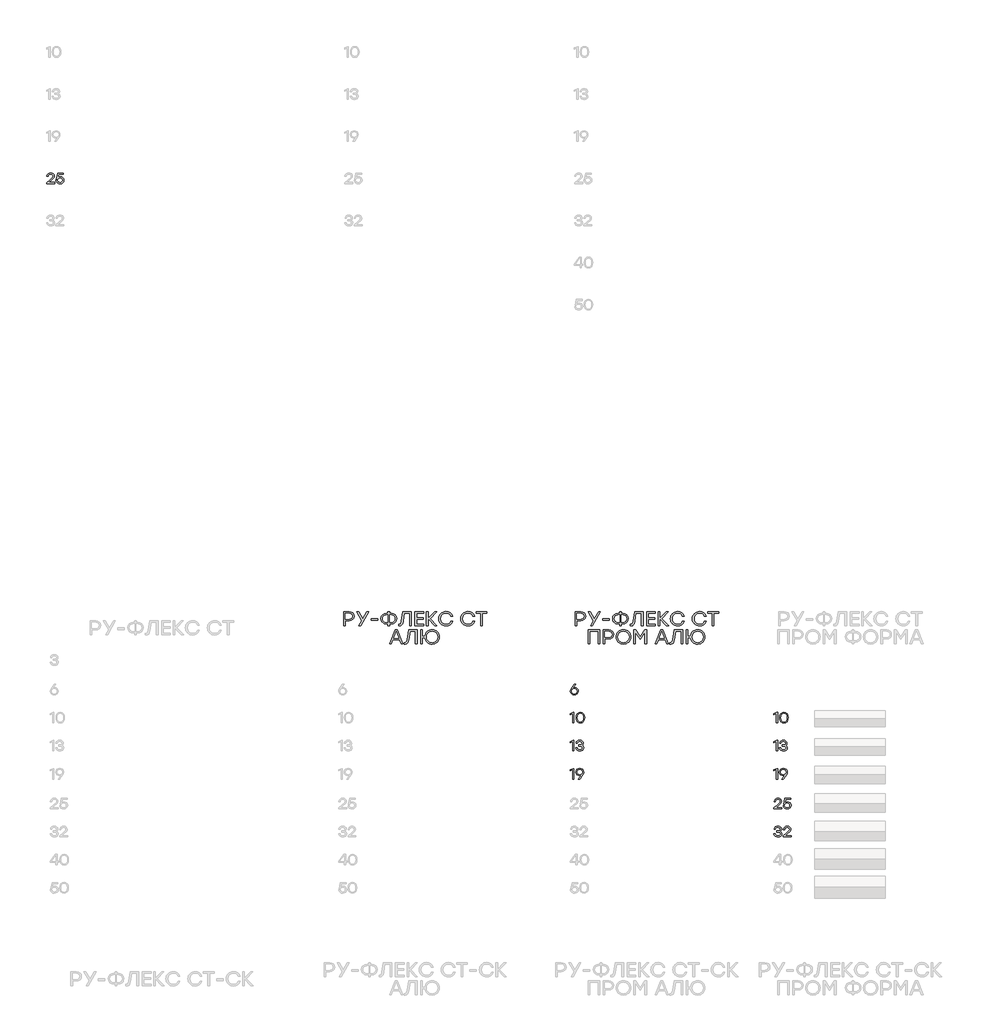
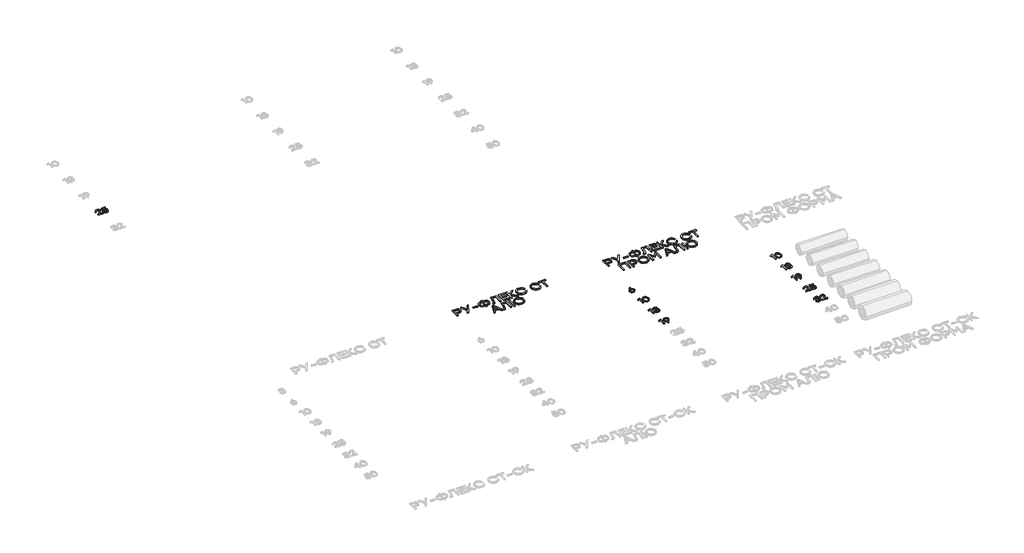
# One storey, part 28 of 41: 12 proxies.
"""IFC4 building model written with IfcOpenShell, lengths in millimetres."""

import ifcopenshell
import ifcopenshell.guid

model = None  # the IFC model being written
_history = None  # IfcOwnerHistory: only IFC2X3 demands one
_inside = {}  # id of a spatial element -> (the spatial element, [elements in it])
_under = {}  # id of a project, library or spatial element -> (it, [spatial elements below it])
_declared = {}  # id of a project -> (the project, [libraries it declares])
_typed = {}  # id of a type object -> (the type object, [elements of that type])
_made_of = {}  # id of a material, layer set ... -> (it, [elements and type objects made of it])


def new_model(schema):
    """Start an empty IFC model of exactly this schema.

    Asked for "IFC4X3", IfcOpenShell would pick the latest addendum, in which some entities
    have other attributes; the version numbers below select the first issue.
    IFC2X3 requires an IfcOwnerHistory on every rooted entity: one is made here for all.
    """
    global model, _history
    if schema == "IFC4X3":
        model = ifcopenshell.file(schema_version=(4, 3, 0, 0))
    else:
        model = ifcopenshell.file(schema=schema)
    _inside.clear()
    _under.clear()
    _declared.clear()
    _typed.clear()
    _made_of.clear()
    _history = None
    if model.schema == "IFC2X3":
        org = make("IfcOrganization", Name="unknown")
        user = make(
            "IfcPersonAndOrganization",
            ThePerson=make("IfcPerson", FamilyName="unknown"),
            TheOrganization=org,
        )
        app = make(
            "IfcApplication",
            ApplicationDeveloper=org,
            Version="unknown",
            ApplicationFullName="unknown",
            ApplicationIdentifier="unknown",
        )
        _history = make(
            "IfcOwnerHistory",
            OwningUser=user,
            OwningApplication=app,
            ChangeAction="ADDED",
            CreationDate=0,
        )
    return model


def make(cls, **values):
    """One entity of the class cls with the attributes given. An attribute that is None is left unset."""
    return model.create_entity(
        cls, **{name: value for name, value in values.items() if value is not None}
    )


def rooted(cls, **values):
    """An entity with a GlobalId (a new one), such as an element, a storey or a relation."""
    return make(cls, GlobalId=ifcopenshell.guid.new(), OwnerHistory=_history, **values)


def si_unit(unit_type, name, prefix=None):
    """IfcSIUnit, for example si_unit("LENGTHUNIT", "METRE", prefix="MILLI")."""
    return make("IfcSIUnit", UnitType=unit_type, Prefix=prefix, Name=name)


def assignment(units):
    """IfcUnitAssignment: the units of a project."""
    return None if units is None else make("IfcUnitAssignment", Units=units)


def point(xyz):
    """IfcCartesianPoint."""
    return None if xyz is None else make("IfcCartesianPoint", Coordinates=xyz)


def direction(xyz):
    """IfcDirection."""
    return None if xyz is None else make("IfcDirection", DirectionRatios=xyz)


def frame(location, z_axis=None, x_axis=None):
    """IfcAxis2Placement3D, a coordinate frame: its origin and axes. An axis left out is left unset."""
    return make(
        "IfcAxis2Placement3D",
        Location=point(location),
        Axis=direction(z_axis),
        RefDirection=direction(x_axis),
    )


def origin():
    """The frame at (0, 0, 0) with its axes left unset."""
    return frame((0.0, 0.0, 0.0))


def origin_with_axes():
    """The frame at (0, 0, 0) with the z axis (0, 0, 1) and the x axis (1, 0, 0) written out."""
    return frame((0.0, 0.0, 0.0), z_axis=(0.0, 0.0, 1.0), x_axis=(1.0, 0.0, 0.0))


def place(relative_to, where):
    """IfcLocalPlacement: puts the frame where relative to a parent placement (None: the world)."""
    return make(
        "IfcLocalPlacement", PlacementRelTo=relative_to, RelativePlacement=where
    )


def context(
    kind, dimensions, precision=None, world=None, true_north=None, identifier=None
):
    """IfcGeometricRepresentationContext, for example the 3D "Model" context."""
    return make(
        "IfcGeometricRepresentationContext",
        ContextIdentifier=identifier,
        ContextType=kind,
        CoordinateSpaceDimension=dimensions,
        Precision=precision,
        WorldCoordinateSystem=world,
        TrueNorth=true_north,
    )


def project(units=None, contexts=None):
    """IfcProject with its units and contexts."""
    return rooted(
        "IfcProject",
        Name="project",
        RepresentationContexts=contexts,
        UnitsInContext=assignment(units),
    )


def spatial(cls, under=None, at=None, **own):
    """A site, building, storey or space (cls), placed at a placement, below another one or the project."""
    s = rooted(cls, ObjectPlacement=at, **own)
    if under is not None:
        _under.setdefault(under.id(), (under, []))[1].append(s)
    return s


def polyline(points):
    """IfcPolyline through the points."""
    return make("IfcPolyline", Points=[point(p) for p in points])


def outline(outer, holes=None, kind="AREA"):
    """IfcArbitraryClosedProfileDef: a profile drawn as a closed curve; with holes, ...WithVoids."""
    if holes is None:
        return make("IfcArbitraryClosedProfileDef", ProfileType=kind, OuterCurve=outer)
    return make(
        "IfcArbitraryProfileDefWithVoids",
        ProfileType=kind,
        OuterCurve=outer,
        InnerCurves=holes,
    )


def extrude(swept, where, along, depth):
    """IfcExtrudedAreaSolid: the profile swept, set in the frame where, extruded along a direction by depth."""
    return make(
        "IfcExtrudedAreaSolid",
        SweptArea=swept,
        Position=where,
        ExtrudedDirection=direction(along),
        Depth=depth,
    )


def shape(context_of_items, identifier, shape_type, items):
    """IfcShapeRepresentation: the items that make up one representation, for example the "Body"."""
    return make(
        "IfcShapeRepresentation",
        ContextOfItems=context_of_items,
        RepresentationIdentifier=identifier,
        RepresentationType=shape_type,
        Items=items,
    )


def made_of(thing, what):
    """Note that an element or type object is made of a material, layer set ...; save() writes the relation."""
    if what is not None:
        _made_of.setdefault(what.id(), (what, []))[1].append(thing)
    return thing


def element(
    cls,
    number,
    at=None,
    inside=None,
    cuts=None,
    type_object=None,
    material=None,
    context=None,
    identifier="Body",
    shape_type=None,
    held_by="IfcProductDefinitionShape",
    body=None,
    shapes=None,
    **own,
):
    """One element of the class cls, such as IfcWall. Its Tag is "e" and its number.

    at: its placement. inside: the storey or other place that contains it. cuts: it is an
    opening in that element (IfcRelVoidsElement). A single representation is given by context,
    identifier, shape_type and body (its items); several are given by shapes. held_by: the class
    of the entity that holds the representations. save() writes the other relations.
    """
    e = rooted(cls, Tag="e%d" % number, ObjectPlacement=at, **own)
    if body is not None:
        shapes = [shape(context, identifier, shape_type, body)]
    if shapes is not None:
        e.Representation = make(held_by, Representations=shapes)
    if inside is not None:
        _inside.setdefault(inside.id(), (inside, []))[1].append(e)
    if cuts is not None:
        rooted(
            "IfcRelVoidsElement", RelatingBuildingElement=cuts, RelatedOpeningElement=e
        )
    if type_object is not None:
        _typed.setdefault(type_object.id(), (type_object, []))[1].append(e)
    return made_of(e, material)


def aggregate(whole, parts):
    """IfcRelAggregates: a whole, such as a stair, and the parts it consists of."""
    return rooted("IfcRelAggregates", RelatingObject=whole, RelatedObjects=parts)


def save(model, path):
    """Write the relations noted so far, then the file.

    IfcRelAggregates (storeys below a building ...), IfcRelContainedInSpatialStructure (elements
    in a storey), IfcRelDefinesByType, IfcRelAssociatesMaterial and IfcRelDeclares: one each for
    every whole, place, type object, material and project.
    """
    for whole, parts in _under.values():
        aggregate(whole, parts)
    for where, things in _inside.values():
        rooted(
            "IfcRelContainedInSpatialStructure",
            RelatedElements=things,
            RelatingStructure=where,
        )
    for kind, things in _typed.values():
        rooted("IfcRelDefinesByType", RelatedObjects=things, RelatingType=kind)
    for what, things in _made_of.values():
        rooted("IfcRelAssociatesMaterial", RelatedObjects=things, RelatingMaterial=what)
    for by, libraries in _declared.values():
        rooted("IfcRelDeclares", RelatingContext=by, RelatedDefinitions=libraries)
    model.write(path)


model = new_model("IFC4")

# Units and contexts
model_context = context("Model", 3, world=origin())
ifc_project = project(units=[si_unit("LENGTHUNIT", "METRE", prefix="MILLI")], contexts=[model_context])

# Site, building, storey
site = spatial("IfcSite", under=ifc_project)
building = spatial("IfcBuilding", under=site)
storey = spatial("IfcBuildingStorey", under=building, Elevation=0.0)

# Proxies
placement = place(None, origin())
element("IfcBuildingElementProxy", 1, Name="Generic Models", at=placement, inside=storey, context=model_context, shape_type="SweptSolid", body=[
    extrude(outline(polyline([(21490.0188486, -21447.1779165), (21490.0188486, -21464.3231049), (21377.5060712, -21464.3231049), (21377.5060712, -21451.4541282), (21420.9943372, -21413.5330056), (21459.6819506, -21377.5482808), (21466.0357557, -21367.5839008), (21468.1536907, -21356.9740548), (21465.8491757, -21345.6985721), (21458.9356306, -21336.7225617), (21448.1644181, -21330.852856), (21434.2869009, -21328.8962875), (21420.353914, -21330.9587528), (21409.4162924, -21337.1461487), (21401.5395911, -21347.0853152), (21396.7893654, -21360.4030925), (21378.797003, -21360.4030925), (21384.9944843, -21340.4037345), (21397.2129524, -21325.023492), (21414.3127565, -21315.2204784), (21435.1542458, -21311.9528072), (21455.6982156, -21315.1145816), (21471.9054613, -21324.599905), (21482.4346241, -21338.8556248), (21485.944345, -21356.3285889), (21483.3977803, -21370.9675541), (21475.758086, -21384.0634524), (21435.557662, -21422.3274787), (21406.8344287, -21447.1779165), (21490.0188486, -21447.1779165)])), origin_with_axes(), (0.0, 0.0, 1.0), 20.0),
    extrude(outline(polyline([(21571.1055042, -21365.3247701), (21590.9939228, -21368.698338), (21607.412962, -21378.8190419), (21618.4262242, -21394.5169746), (21622.0973116, -21414.6222294), (21618.1892172, -21435.322523), (21606.4649339, -21451.99874), (21588.9012012, -21462.9968741), (21567.4747585, -21466.6629188), (21546.517287, -21463.6120838), (21528.6661203, -21454.4595788), (21515.6458625, -21439.7298449), (21509.181118, -21419.9473232), (21527.1734804, -21419.9473232), (21532.3220796, -21432.6498907), (21541.3132181, -21442.03436), (21553.3098072, -21447.8284251), (21567.4747585, -21449.7597801), (21581.9624426, -21447.2384289), (21593.7169821, -21439.6743752), (21601.5079574, -21428.3686363), (21604.1049492, -21414.6222294), (21601.5331709, -21400.679157), (21593.8178361, -21389.7516208), (21582.1389372, -21382.6867946), (21567.6764666, -21380.3318526), (21546.6786535, -21385.2031032), (21532.095158, -21399.8168549), (21514.9499696, -21399.8168549), (21533.1843817, -21314.3329627), (21615.0375281, -21314.3329627), (21615.0375281, -21331.2361014), (21546.6584827, -21331.2361014), (21536.8151275, -21377.951697), (21552.245797, -21368.4815018), (21571.1055042, -21365.3247701)])), origin_with_axes(), (0.0, 0.0, 1.0), 20.0),
])
element("IfcBuildingElementProxy", 2, Name="Generic Models", at=placement, inside=storey, context=model_context, shape_type="SweptSolid", body=[
    extrude(outline(polyline([(28899.0241406, -28646.0493279), (28918.6906803, -28649.3976823), (28935.2509151, -28659.4427456), (28946.5062271, -28675.2768314), (28950.2579977, -28695.9922531), (28946.2389638, -28717.5094645), (28934.1818622, -28734.5386707), (28916.1239447, -28745.6275734), (28894.102463, -28749.3238744), (28872.2625187, -28745.6578297), (28854.2651136, -28734.6596956), (28842.208012, -28717.4993791), (28838.1889781, -28695.3467872), (28840.8111834, -28677.5006631), (28848.6777992, -28659.5435997), (28890.4717173, -28599.9791981), (28892.8115312, -28596.9939183), (28913.627807, -28596.9939183), (28870.9463733, -28653.9966269), (28884.9449154, -28648.0361526), (28899.0241406, -28646.0493279)]), holes=[polyline([(28894.102463, -28732.4207357), (28909.2103996, -28729.8993845), (28921.5347644, -28722.3353308), (28929.7341987, -28710.7068589), (28932.4673434, -28695.9922531), (28929.7341987, -28681.1767932), (28921.5347644, -28669.7298586), (28909.2608266, -28662.4078547), (28894.3041711, -28659.9671867), (28878.9743556, -28662.4330682), (28866.7911865, -28669.8307127), (28858.833802, -28681.3532878), (28856.1813405, -28696.1939612), (28858.884229, -28711.0346345), (28866.9928946, -28722.5572097), (28879.1760637, -28729.9548542), (28894.102463, -28732.4207357)])]), origin_with_axes(), (0.0, 0.0, 1.0), 20.0),
])
element("IfcBuildingElementProxy", 3, Name="Generic Models", at=placement, inside=storey, context=model_context, shape_type="SweptSolid", body=[
    extrude(outline(polyline([(28880.1846042, -28996.9939183), (28888.3336114, -28996.9939183), (28888.3336114, -29146.9840604), (28870.5429571, -29146.9840604), (28870.5429571, -29017.7698524), (28836.0508722, -29031.6877112), (28836.0508722, -29014.1391067), (28880.1846042, -28996.9939183)])), origin_with_axes(), (0.0, 0.0, 1.0), 20.0),
    extrude(outline(polyline([(28979.0619142, -28994.6137627), (29004.5679032, -28999.676636), (29023.639404, -29014.8652558), (29035.5300964, -29039.266893), (29039.4936605, -29071.9688185), (29035.5300964, -29104.670744), (29023.639404, -29129.0723813), (29004.5679032, -29144.2610011), (28979.0619142, -29149.3238744), (28953.7072062, -29144.2912573), (28934.6054492, -29129.1934061), (28922.6239882, -29104.8270678), (28918.6301678, -29071.9889893), (28922.6239882, -29039.1458682), (28934.6054492, -29014.7644018), (28953.7072062, -28999.6514225), (28979.0619142, -28994.6137627)]), holes=[polyline([(28947.8778421, -29117.7363861), (28961.3015161, -29128.7496483), (28979.0619142, -29132.4207357), (28996.8223123, -29128.7496483), (29010.2459862, -29117.7363861), (29018.6874701, -29098.9573621), (29021.5012981, -29071.9889893), (29018.6874701, -29045.0206166), (29010.2459862, -29026.2415926), (28996.8223123, -29015.2283304), (28979.0619142, -29011.557243), (28961.3015161, -29015.2283304), (28947.8778421, -29026.2415926), (28939.4363582, -29045.0206166), (28936.6225302, -29071.9889893), (28939.4363582, -29098.9573621), (28947.8778421, -29117.7363861)])]), origin_with_axes(), (0.0, 0.0, 1.0), 20.0),
])
element("IfcBuildingElementProxy", 4, Name="Generic Models", at=placement, inside=storey, context=model_context, shape_type="SweptSolid", body=[
    extrude(outline(polyline([(28880.1846042, -29396.9939183), (28888.3336114, -29396.9939183), (28888.3336114, -29546.9840604), (28870.5429571, -29546.9840604), (28870.5429571, -29417.7698524), (28836.0508722, -29431.6877112), (28836.0508722, -29414.1391067), (28880.1846042, -29396.9939183)])), origin_with_axes(), (0.0, 0.0, 1.0), 20.0),
    extrude(outline(polyline([(29001.3708299, -29467.9144858), (29012.5807575, -29473.3807752), (29020.9566862, -29481.6306365), (29026.1758833, -29492.2909095), (29027.9156157, -29504.9884343), (29024.2193147, -29523.2379745), (29013.130412, -29537.3222425), (28996.0406934, -29546.3234664), (28974.3419447, -29549.3238744), (28952.9558435, -29546.4344058), (28935.0290362, -29537.7660003), (28922.084419, -29523.5808783), (28915.644888, -29504.1412603), (28933.6372504, -29504.1412603), (28938.4984155, -29516.5135308), (28946.8693016, -29525.3508668), (28958.7499086, -29530.6532685), (28974.1402366, -29532.4207357), (28989.0515078, -29530.4893806), (29000.3824602, -29524.6953155), (29007.538055, -29515.5831522), (29009.9232533, -29503.6975024), (29007.9162577, -29492.9162046), (29001.8952709, -29484.5352331), (28991.5274747, -29479.1496268), (28976.4800505, -29477.3544248), (28955.7041163, -29477.3544248), (28955.7041163, -29461.7018763), (28971.3566648, -29461.7018763), (28986.0763133, -29460.2546207), (28996.5903479, -29455.9128539), (29002.8987687, -29448.6765758), (29005.0015756, -29438.5457866), (29002.7222741, -29427.4064568), (28995.8843696, -29418.8389054), (28985.2946944, -29413.3776586), (28971.760081, -29411.557243), (28958.9213605, -29413.0851818), (28948.6443329, -29417.6689984), (28940.9794251, -29425.7827067), (28935.9770643, -29437.9003207), (28917.9847019, -29437.9003207), (28924.6561973, -29418.6977097), (28936.5216762, -29405.2236087), (28952.6734522, -29397.2662242), (28972.2038388, -29394.6137627), (28992.2183249, -29397.5334874), (29008.5314674, -29406.2926616), (29019.3783204, -29419.6608659), (29022.993938, -29436.4076807), (29017.4267945, -29455.690975), (29010.6292316, -29462.9222103), (29001.3708299, -29467.9144858)])), origin_with_axes(), (0.0, 0.0, 1.0), 20.0),
])
element("IfcBuildingElementProxy", 5, Name="Generic Models", at=placement, inside=storey, context=model_context, shape_type="SweptSolid", body=[
    extrude(outline(polyline([(28880.1846042, -29796.9939183), (28888.3336114, -29796.9939183), (28888.3336114, -29946.9840604), (28870.5429571, -29946.9840604), (28870.5429571, -29817.7698524), (28836.0508722, -29831.6877112), (28836.0508722, -29814.1391067), (28880.1846042, -29796.9939183)])), origin_with_axes(), (0.0, 0.0, 1.0), 20.0),
    extrude(outline(polyline([(28971.760081, -29794.6137627), (28993.6302816, -29798.2596366), (29011.6377721, -29809.1972582), (29023.6948737, -29826.3474893), (29027.7139076, -29848.6311915), (29025.0866596, -29866.4722728), (29017.2049156, -29884.4142082), (28975.4311684, -29943.9987805), (28973.0510128, -29946.9840604), (28952.2750787, -29946.9840604), (28994.9161707, -29889.9813517), (28980.9377995, -29895.9418261), (28966.8384034, -29897.9286508), (28947.1769065, -29894.5802964), (28930.6317997, -29884.5352331), (28919.3916159, -29868.7011473), (28915.644888, -29847.9857256), (28919.6639218, -29826.438258), (28931.7210234, -29809.3989663), (28949.7688555, -29798.3100636), (28971.760081, -29794.6137627)]), holes=[polyline([(28971.5583729, -29883.9704504), (28986.9436581, -29881.5096116), (28999.2125532, -29874.1270952), (29007.2455782, -29862.6196482), (29009.9232533, -29847.7840175), (29007.1901085, -29832.9433442), (28998.9906743, -29821.420769), (28986.7217792, -29814.0231245), (28971.7802518, -29811.557243), (28956.8387244, -29814.0735515), (28944.5698293, -29821.6224771), (28936.3703951, -29833.2459063), (28933.6372504, -29847.9857256), (28936.3401389, -29862.7961427), (28944.4488044, -29874.2279492), (28956.6319736, -29881.5348251), (28971.5583729, -29883.9704504)])]), origin_with_axes(), (0.0, 0.0, 1.0), 20.0),
])
element("IfcBuildingElementProxy", 6, Name="Generic Models", at=placement, inside=storey, context=model_context, shape_type="SweptSolid", body=[
    extrude(outline(polyline([(31780.1846042, -28996.9939183), (31788.3336114, -28996.9939183), (31788.3336114, -29146.9840604), (31770.5429571, -29146.9840604), (31770.5429571, -29017.7698524), (31736.0508722, -29031.6877112), (31736.0508722, -29014.1391067), (31780.1846042, -28996.9939183)])), origin_with_axes(), (0.0, 0.0, 1.0), 20.0),
    extrude(outline(polyline([(31879.0619142, -28994.6137627), (31904.5679032, -28999.676636), (31923.639404, -29014.8652558), (31935.5300964, -29039.266893), (31939.4936605, -29071.9688185), (31935.5300964, -29104.670744), (31923.639404, -29129.0723813), (31904.5679032, -29144.2610011), (31879.0619142, -29149.3238744), (31853.7072062, -29144.2912573), (31834.6054492, -29129.1934061), (31822.6239882, -29104.8270678), (31818.6301678, -29071.9889893), (31822.6239882, -29039.1458682), (31834.6054492, -29014.7644018), (31853.7072062, -28999.6514225), (31879.0619142, -28994.6137627)]), holes=[polyline([(31847.8778421, -29117.7363861), (31861.3015161, -29128.7496483), (31879.0619142, -29132.4207357), (31896.8223123, -29128.7496483), (31910.2459862, -29117.7363861), (31918.6874701, -29098.9573621), (31921.5012981, -29071.9889893), (31918.6874701, -29045.0206166), (31910.2459862, -29026.2415926), (31896.8223123, -29015.2283304), (31879.0619142, -29011.557243), (31861.3015161, -29015.2283304), (31847.8778421, -29026.2415926), (31839.4363582, -29045.0206166), (31836.6225302, -29071.9889893), (31839.4363582, -29098.9573621), (31847.8778421, -29117.7363861)])]), origin_with_axes(), (0.0, 0.0, 1.0), 20.0),
])
element("IfcBuildingElementProxy", 7, Name="Generic Models", at=placement, inside=storey, context=model_context, shape_type="SweptSolid", body=[
    extrude(outline(polyline([(31780.1846042, -29396.9939183), (31788.3336114, -29396.9939183), (31788.3336114, -29546.9840604), (31770.5429571, -29546.9840604), (31770.5429571, -29417.7698524), (31736.0508722, -29431.6877112), (31736.0508722, -29414.1391067), (31780.1846042, -29396.9939183)])), origin_with_axes(), (0.0, 0.0, 1.0), 20.0),
    extrude(outline(polyline([(31901.3708299, -29467.9144858), (31912.5807575, -29473.3807752), (31920.9566862, -29481.6306365), (31926.1758833, -29492.2909095), (31927.9156157, -29504.9884343), (31924.2193147, -29523.2379745), (31913.130412, -29537.3222425), (31896.0406934, -29546.3234664), (31874.3419447, -29549.3238744), (31852.9558435, -29546.4344058), (31835.0290362, -29537.7660003), (31822.084419, -29523.5808783), (31815.644888, -29504.1412603), (31833.6372504, -29504.1412603), (31838.4984155, -29516.5135308), (31846.8693016, -29525.3508668), (31858.7499086, -29530.6532685), (31874.1402366, -29532.4207357), (31889.0515078, -29530.4893806), (31900.3824602, -29524.6953155), (31907.538055, -29515.5831522), (31909.9232533, -29503.6975024), (31907.9162577, -29492.9162046), (31901.8952709, -29484.5352331), (31891.5274747, -29479.1496268), (31876.4800505, -29477.3544248), (31855.7041163, -29477.3544248), (31855.7041163, -29461.7018763), (31871.3566648, -29461.7018763), (31886.0763133, -29460.2546207), (31896.5903479, -29455.9128539), (31902.8987687, -29448.6765758), (31905.0015756, -29438.5457866), (31902.7222741, -29427.4064568), (31895.8843696, -29418.8389054), (31885.2946944, -29413.3776586), (31871.760081, -29411.557243), (31858.9213605, -29413.0851818), (31848.6443329, -29417.6689984), (31840.9794251, -29425.7827067), (31835.9770643, -29437.9003207), (31817.9847019, -29437.9003207), (31824.6561973, -29418.6977097), (31836.5216762, -29405.2236087), (31852.6734522, -29397.2662242), (31872.2038388, -29394.6137627), (31892.2183249, -29397.5334874), (31908.5314674, -29406.2926616), (31919.3783204, -29419.6608659), (31922.993938, -29436.4076807), (31917.4267945, -29455.690975), (31910.6292316, -29462.9222103), (31901.3708299, -29467.9144858)])), origin_with_axes(), (0.0, 0.0, 1.0), 20.0),
])
element("IfcBuildingElementProxy", 8, Name="Generic Models", at=placement, inside=storey, context=model_context, shape_type="SweptSolid", body=[
    extrude(outline(polyline([(31780.1846042, -29796.9939183), (31788.3336114, -29796.9939183), (31788.3336114, -29946.9840604), (31770.5429571, -29946.9840604), (31770.5429571, -29817.7698524), (31736.0508722, -29831.6877112), (31736.0508722, -29814.1391067), (31780.1846042, -29796.9939183)])), origin_with_axes(), (0.0, 0.0, 1.0), 20.0),
    extrude(outline(polyline([(31871.760081, -29794.6137627), (31893.6302816, -29798.2596366), (31911.6377721, -29809.1972582), (31923.6948737, -29826.3474893), (31927.7139076, -29848.6311915), (31925.0866596, -29866.4722728), (31917.2049156, -29884.4142082), (31875.4311684, -29943.9987805), (31873.0510128, -29946.9840604), (31852.2750787, -29946.9840604), (31894.9161707, -29889.9813517), (31880.9377995, -29895.9418261), (31866.8384034, -29897.9286508), (31847.1769065, -29894.5802964), (31830.6317997, -29884.5352331), (31819.3916159, -29868.7011473), (31815.644888, -29847.9857256), (31819.6639218, -29826.438258), (31831.7210234, -29809.3989663), (31849.7688555, -29798.3100636), (31871.760081, -29794.6137627)]), holes=[polyline([(31871.5583729, -29883.9704504), (31886.9436581, -29881.5096116), (31899.2125532, -29874.1270952), (31907.2455782, -29862.6196482), (31909.9232533, -29847.7840175), (31907.1901085, -29832.9433442), (31898.9906743, -29821.420769), (31886.7217792, -29814.0231245), (31871.7802518, -29811.557243), (31856.8387244, -29814.0735515), (31844.5698293, -29821.6224771), (31836.3703951, -29833.2459063), (31833.6372504, -29847.9857256), (31836.3401389, -29862.7961427), (31844.4488044, -29874.2279492), (31856.6319736, -29881.5348251), (31871.5583729, -29883.9704504)])]), origin_with_axes(), (0.0, 0.0, 1.0), 20.0),
])
element("IfcBuildingElementProxy", 9, Name="Generic Models", at=placement, inside=storey, context=model_context, shape_type="SweptSolid", body=[
    extrude(outline(polyline([(31850.7017555, -30353.838872), (31850.7017555, -30370.9840604), (31738.1889781, -30370.9840604), (31738.1889781, -30358.1150837), (31781.6772442, -30320.1939612), (31820.3648575, -30284.2092364), (31826.7186626, -30274.2448563), (31828.8365976, -30263.6350103), (31826.5320826, -30252.3595276), (31819.6185375, -30243.3835172), (31808.847325, -30237.5138116), (31794.9698079, -30235.557243), (31781.0368209, -30237.6197083), (31770.0991993, -30243.8071042), (31762.222498, -30253.7462708), (31757.4722723, -30267.064048), (31739.4799099, -30267.064048), (31745.6773913, -30247.06469), (31757.8958593, -30231.6844475), (31774.9956634, -30221.8814339), (31795.8371527, -30218.6137627), (31816.3811225, -30221.7755372), (31832.5883682, -30231.2608605), (31843.117531, -30245.5165804), (31846.6272519, -30262.9895444), (31844.0806872, -30277.6285097), (31836.4409929, -30290.724408), (31796.2405689, -30328.9884343), (31767.5173356, -30353.838872), (31850.7017555, -30353.838872)])), origin_with_axes(), (0.0, 0.0, 1.0), 20.0),
    extrude(outline(polyline([(31931.7884111, -30271.9857256), (31951.6768297, -30275.3592936), (31968.0958689, -30285.4799974), (31979.1091311, -30301.1779302), (31982.7802185, -30321.2831849), (31978.8721241, -30341.9834785), (31967.1478408, -30358.6596956), (31949.5841081, -30369.6578297), (31928.1576654, -30373.3238744), (31907.2001939, -30370.2730394), (31889.3490272, -30361.1205344), (31876.3287694, -30346.3908005), (31869.8640249, -30326.6082787), (31887.8563873, -30326.6082787), (31893.0049865, -30339.3108462), (31901.996125, -30348.6953155), (31913.9927141, -30354.4893806), (31928.1576654, -30356.4207357), (31942.6453496, -30353.8993845), (31954.399889, -30346.3353308), (31962.1908643, -30335.0295918), (31964.7878561, -30321.2831849), (31962.2160778, -30307.3401126), (31954.500743, -30296.4125764), (31942.8218441, -30289.3477502), (31928.3593735, -30286.9928081), (31907.3615604, -30291.8640587), (31892.7780649, -30306.4778105), (31875.6328765, -30306.4778105), (31893.8672886, -30220.9939183), (31975.720435, -30220.9939183), (31975.720435, -30237.8970569), (31907.3413896, -30237.8970569), (31897.4980344, -30284.6126526), (31912.9287039, -30275.1424574), (31931.7884111, -30271.9857256)])), origin_with_axes(), (0.0, 0.0, 1.0), 20.0),
])
element("IfcBuildingElementProxy", 10, Name="Generic Models", at=placement, inside=storey, context=model_context, shape_type="SweptSolid", body=[
    extrude(outline(polyline([(31823.91492, -30691.9144858), (31835.1248476, -30697.3807752), (31843.5007764, -30705.6306365), (31848.7199734, -30716.2909095), (31850.4597058, -30728.9884343), (31846.7634049, -30747.2379745), (31835.6745022, -30761.3222425), (31818.5847835, -30770.3234664), (31796.8860348, -30773.3238744), (31775.4999336, -30770.4344058), (31757.5731264, -30761.7660003), (31744.6285091, -30747.5808783), (31738.1889781, -30728.1412603), (31756.1813405, -30728.1412603), (31761.0425057, -30740.5135308), (31769.4133918, -30749.3508668), (31781.2939988, -30754.6532685), (31796.6843267, -30756.4207357), (31811.5955979, -30754.4893806), (31822.9265503, -30748.6953155), (31830.0821451, -30739.5831522), (31832.4673434, -30727.6975024), (31830.4603478, -30716.9162046), (31824.4393611, -30708.5352331), (31814.0715648, -30703.1496268), (31799.0241406, -30701.3544248), (31778.2482065, -30701.3544248), (31778.2482065, -30685.7018763), (31793.9007549, -30685.7018763), (31808.6204034, -30684.2546207), (31819.1344381, -30679.9128539), (31825.4428589, -30672.6765758), (31827.5456658, -30662.5457866), (31825.2663643, -30651.4064568), (31818.4284597, -30642.8389054), (31807.8387845, -30637.3776586), (31794.3041711, -30635.557243), (31781.4654507, -30637.0851818), (31771.188423, -30641.6689984), (31763.5235153, -30649.7827067), (31758.5211544, -30661.9003207), (31740.528792, -30661.9003207), (31747.2002874, -30642.6977097), (31759.0657663, -30629.2236087), (31775.2175423, -30621.2662242), (31794.7479289, -30618.6137627), (31814.762415, -30621.5334874), (31831.0755575, -30630.2926616), (31841.9224105, -30643.6608659), (31845.5380282, -30660.4076807), (31839.9708847, -30679.690975), (31833.1733217, -30686.9222103), (31823.91492, -30691.9144858)])), origin_with_axes(), (0.0, 0.0, 1.0), 20.0),
    extrude(outline(polyline([(31982.3768023, -30753.838872), (31982.3768023, -30770.9840604), (31869.8640249, -30770.9840604), (31869.8640249, -30758.1150837), (31913.3522909, -30720.1939612), (31952.0399042, -30684.2092364), (31958.3937094, -30674.2448563), (31960.5116444, -30663.6350103), (31958.2071294, -30652.3595276), (31951.2935843, -30643.3835172), (31940.5223718, -30637.5138116), (31926.6448546, -30635.557243), (31912.7118677, -30637.6197083), (31901.7742461, -30643.8071042), (31893.8975448, -30653.7462708), (31889.1473191, -30667.064048), (31871.1549567, -30667.064048), (31877.352438, -30647.06469), (31889.5709061, -30631.6844475), (31906.6707102, -30621.8814339), (31927.5121995, -30618.6137627), (31948.0561693, -30621.7755372), (31964.263415, -30631.2608605), (31974.7925778, -30645.5165804), (31978.3022987, -30662.9895444), (31975.7557339, -30677.6285097), (31968.1160397, -30690.724408), (31927.9156157, -30728.9884343), (31899.1923824, -30753.838872), (31982.3768023, -30753.838872)])), origin_with_axes(), (0.0, 0.0, 1.0), 20.0),
])
element("IfcBuildingElementProxy", 11, Name="Generic Models", at=placement, inside=storey, context=model_context, shape_type="SweptSolid", body=[
    extrude(outline(polyline([(25687.2580863, -27563.1559111), (25716.277158, -27567.6203837), (25738.1423159, -27581.0138015), (25751.8584666, -27601.4670027), (25756.4305169, -27627.1108256), (25751.818125, -27653.1446175), (25737.9809495, -27674.0146821), (25716.0754499, -27687.7308328), (25687.2580863, -27692.3028831), (25630.672241, -27692.3028831), (25630.672241, -27763.1427673), (25606.9513686, -27763.1427673), (25606.9513686, -27563.1559111), (25687.2580863, -27563.1559111)]), holes=[polyline([(25686.397465, -27669.711576), (25706.2657128, -27666.712849), (25720.6878418, -27657.7166678), (25729.4621441, -27644.1484363), (25732.3869115, -27627.4335586), (25729.4621441, -27610.7859168), (25720.6878418, -27597.4193935), (25706.2657128, -27588.6249204), (25686.397465, -27585.6934293), (25630.672241, -27585.6934293), (25630.672241, -27669.711576), (25686.397465, -27669.711576)])]), origin_with_axes(), (0.0, 0.0, 1.0), 20.0),
    extrude(outline(polyline([(25965.4538959, -27563.1559111), (25852.3359942, -27763.1427673), (25825.4953698, -27763.1427673), (25866.9127661, -27690.5816406), (25794.0289065, -27563.1559111), (25820.9233196, -27563.1559111), (25880.0372397, -27665.1395258), (25938.8822157, -27563.1559111), (25965.4538959, -27563.1559111)])), origin_with_axes(), (0.0, 0.0, 1.0), 20.0),
    extrude(outline(polyline([(26092.0190041, -27665.7312029), (26092.0190041, -27688.2687211), (25999.3946453, -27688.2687211), (25999.3946453, -27665.7312029), (26092.0190041, -27665.7312029)])), origin_with_axes(), (0.0, 0.0, 1.0), 20.0),
    extrude(outline(polyline([(26282.5928157, -27585.6934293), (26314.2408164, -27590.8033678), (26340.0123878, -27606.1331833), (26350.0019814, -27617.2355333), (26357.1374054, -27630.1028291), (26362.8457446, -27661.1322582), (26357.1710234, -27692.1616874), (26350.0776219, -27705.0289832), (26340.1468599, -27716.1313331), (26314.4089065, -27731.4611486), (26282.5928157, -27736.5710871), (26262.8523165, -27736.5710871), (26262.8523165, -27763.1427673), (26239.1314441, -27763.1427673), (26239.1314441, -27736.5710871), (26219.1757895, -27736.5710871), (26187.3193571, -27731.4611486), (26161.5679565, -27716.1313331), (26151.6371945, -27705.0289832), (26144.543793, -27692.1616874), (26138.8690719, -27661.1322582), (26144.5841346, -27630.1028291), (26151.7279631, -27617.2355333), (26161.729323, -27606.1331833), (26187.5210652, -27590.8033678), (26219.1757895, -27585.6934293), (26239.1314441, -27585.6934293), (26239.1314441, -27563.1559111), (26262.8523165, -27563.1559111), (26262.8523165, -27585.6934293), (26282.5928157, -27585.6934293)]), holes=[polyline([(26282.5928157, -27713.9797801), (26305.19757, -27710.5171244), (26323.3109572, -27700.1291573), (26335.211735, -27683.4546211), (26339.178661, -27661.1322582), (26335.211735, -27638.8098953), (26323.3109572, -27622.1353592), (26305.19757, -27611.7473921), (26282.5928157, -27608.2847364), (26262.8523165, -27608.2847364), (26262.8523165, -27713.9797801), (26282.5928157, -27713.9797801)]), polyline([(26219.1757895, -27713.9797801), (26239.1314441, -27713.9797801), (26239.1314441, -27608.2847364), (26219.1757895, -27608.2847364), (26196.7727434, -27611.7473921), (26178.7265921, -27622.1353592), (26166.8258143, -27638.8098953), (26162.8588884, -27661.1322582), (26166.7854727, -27683.4546211), (26178.5652257, -27700.1291573), (26196.5710353, -27710.5171244), (26219.1757895, -27713.9797801)])]), origin_with_axes(), (0.0, 0.0, 1.0), 20.0),
    extrude(outline(polyline([(26452.511718, -27563.1559111), (26572.7835336, -27563.1559111), (26572.7835336, -27763.1427673), (26549.0626612, -27763.1427673), (26549.0626612, -27585.6934293), (26472.4673725, -27585.6934293), (26453.3723392, -27701.9848718), (26446.2722141, -27732.0057605), (26436.4826478, -27751.7126417), (26423.2774909, -27762.6250498), (26405.9305944, -27766.2625192), (26390.2242571, -27765.401898), (26390.2242571, -27743.725001), (26401.3585442, -27744.2628893), (26412.055797, -27741.9768642), (26419.6198507, -27735.1187888), (26429.9204109, -27700.5863623), (26452.511718, -27563.1559111)])), origin_with_axes(), (0.0, 0.0, 1.0), 20.0),
    extrude(outline(polyline([(26749.3722503, -27585.6934293), (26646.2052815, -27585.6934293), (26646.2052815, -27649.1642444), (26742.4872806, -27649.1642444), (26742.4872806, -27671.7017626), (26646.2052815, -27671.7017626), (26646.2052815, -27740.5514603), (26749.3722503, -27740.5514603), (26749.3722503, -27763.1427673), (26622.4844091, -27763.1427673), (26622.4844091, -27563.1559111), (26749.3722503, -27563.1559111), (26749.3722503, -27585.6934293)])), origin_with_axes(), (0.0, 0.0, 1.0), 20.0),
    extrude(outline(polyline([(26936.0194776, -27763.1427673), (26905.4674242, -27763.1427673), (26811.4445559, -27666.000147), (26811.4445559, -27763.1427673), (26787.7236835, -27763.1427673), (26787.7236835, -27563.1559111), (26811.4445559, -27563.1559111), (26811.4445559, -27656.8560465), (26902.3476723, -27563.1559111), (26932.6307815, -27563.1559111), (26838.0162361, -27661.1591526), (26936.0194776, -27763.1427673)])), origin_with_axes(), (0.0, 0.0, 1.0), 20.0),
    extrude(outline(polyline([(27065.0588719, -27766.2625192), (27043.8610316, -27764.4236137), (27024.5357149, -27758.9068972), (27007.0829216, -27749.7123697), (26991.5026519, -27736.8400312), (26978.6891449, -27721.1992491), (26969.53664, -27703.6993906), (26964.045137, -27684.3404559), (26962.214636, -27663.1224448), (26964.045137, -27641.9044337), (26969.53664, -27622.545499), (26978.6891449, -27605.0456405), (26991.5026519, -27589.4048584), (27007.0829216, -27576.5325199), (27024.5357149, -27567.3379924), (27043.8610316, -27561.8212759), (27065.0588719, -27559.9823704), (27096.5387825, -27564.5208026), (27124.0652143, -27578.1360993), (27145.8093473, -27599.3894092), (27159.9423615, -27626.8418815), (27134.5002466, -27626.8418815), (27123.036503, -27608.6343638), (27106.9334731, -27594.5685857), (27087.1862503, -27585.5724045), (27064.7899277, -27582.5736774), (27033.888247, -27588.3223582), (27008.6343931, -27605.5684007), (26991.8119377, -27631.4609969), (26986.2044525, -27663.1493392), (26991.8119377, -27694.8376815), (27008.6343931, -27720.7302778), (27033.888247, -27737.9763202), (27064.7899277, -27743.725001), (27087.1862503, -27740.7262739), (27106.9334731, -27731.7300927), (27123.036503, -27717.6508675), (27134.5002466, -27699.4030081), (27159.9423615, -27699.4030081), (27145.8093473, -27726.8890984), (27124.0652143, -27748.1356848), (27096.5387825, -27761.7308106), (27065.0588719, -27766.2625192)])), origin_with_axes(), (0.0, 0.0, 1.0), 20.0),
    extrude(outline(polyline([(27378.3249962, -27766.2625192), (27357.127156, -27764.4236137), (27337.8018392, -27758.9068972), (27320.349046, -27749.7123697), (27304.7687763, -27736.8400312), (27291.9552693, -27721.1992491), (27282.8027643, -27703.6993906), (27277.3112613, -27684.3404559), (27275.4807603, -27663.1224448), (27277.3112613, -27641.9044337), (27282.8027643, -27622.545499), (27291.9552693, -27605.0456405), (27304.7687763, -27589.4048584), (27320.349046, -27576.5325199), (27337.8018392, -27567.3379924), (27357.127156, -27561.8212759), (27378.3249962, -27559.9823704), (27409.8049068, -27564.5208026), (27437.3313387, -27578.1360993), (27459.0754717, -27599.3894092), (27473.2084858, -27626.8418815), (27447.766371, -27626.8418815), (27436.3026274, -27608.6343638), (27420.1995975, -27594.5685857), (27400.4523746, -27585.5724045), (27378.0560521, -27582.5736774), (27347.1543714, -27588.3223582), (27321.9005174, -27605.5684007), (27305.078062, -27631.4609969), (27299.4705769, -27663.1493392), (27305.078062, -27694.8376815), (27321.9005174, -27720.7302778), (27347.1543714, -27737.9763202), (27378.0560521, -27743.725001), (27400.4523746, -27740.7262739), (27420.1995975, -27731.7300927), (27436.3026274, -27717.6508675), (27447.766371, -27699.4030081), (27473.2084858, -27699.4030081), (27459.0754717, -27726.8890984), (27437.3313387, -27748.1356848), (27409.8049068, -27761.7308106), (27378.3249962, -27766.2625192)])), origin_with_axes(), (0.0, 0.0, 1.0), 20.0),
    extrude(outline(polyline([(27648.1297489, -27563.1559111), (27648.1297489, -27585.6934293), (27583.5293685, -27585.6934293), (27583.5293685, -27763.1427673), (27559.539552, -27763.1427673), (27559.539552, -27585.6934293), (27495.2619046, -27585.6934293), (27495.2619046, -27563.1559111), (27648.1297489, -27563.1559111)])), origin_with_axes(), (0.0, 0.0, 1.0), 20.0),
    extrude(outline(polyline([(26426.5317149, -28021.6650103), (26402.8108425, -27961.6366802), (26309.9713283, -27961.6366802), (26286.2504559, -28021.6650103), (26261.131074, -28021.6650103), (26341.1150587, -27821.6781541), (26371.6671121, -27821.6781541), (26451.7048856, -28021.6650103), (26426.5317149, -28021.6650103)]), holes=[polyline([(26319.1154288, -27939.0991619), (26393.989475, -27939.0991619), (26356.5524519, -27844.2156724), (26319.1154288, -27939.0991619)])]), origin_with_axes(), (0.0, 0.0, 1.0), 20.0),
    extrude(outline(polyline([(26533.4101127, -27821.6781541), (26653.6819283, -27821.6781541), (26653.6819283, -28021.6650103), (26629.9610559, -28021.6650103), (26629.9610559, -27844.2156724), (26553.3657673, -27844.2156724), (26534.270734, -27960.5071148), (26527.1706089, -27990.5280035), (26517.3810425, -28010.2348847), (26504.1758856, -28021.1472929), (26486.8289892, -28024.7847622), (26471.1226519, -28023.924141), (26471.1226519, -28002.247244), (26482.2569389, -28002.7851323), (26492.9541918, -28000.4991072), (26500.5182455, -27993.6410318), (26510.8188057, -27959.1086053), (26533.4101127, -27821.6781541)])), origin_with_axes(), (0.0, 0.0, 1.0), 20.0),
    extrude(outline(polyline([(26867.7076682, -27818.5046134), (26888.6953958, -27820.3536043), (26907.928263, -27825.900577), (26925.4062698, -27835.1455315), (26941.1294161, -27848.0884679), (26954.1194176, -27863.7813579), (26963.3979902, -27881.2761737), (26968.9651337, -27900.5729151), (26970.8208482, -27921.6715822), (26968.9651337, -27942.7685684), (26963.3979902, -27962.0602672), (26954.1194176, -27979.5466784), (26941.1294161, -27995.2278022), (26925.4062698, -28008.1589722), (26907.928263, -28017.3955222), (26888.6953958, -28022.9374522), (26867.7076682, -28024.7847622), (26848.1503871, -28023.1694165), (26830.035319, -28018.3233795), (26813.3624637, -28010.246651), (26798.1318214, -27998.9392312), (26785.1872041, -27985.1508018), (26775.3724242, -27969.6310445), (26768.6874817, -27952.3799593), (26765.1323764, -27933.3975464), (26727.1036762, -27933.3975464), (26727.1036762, -28021.6650103), (26703.3828038, -28021.6650103), (26703.3828038, -27821.6781541), (26727.1036762, -27821.6781541), (26727.1036762, -27910.5372952), (26764.8634323, -27910.5372952), (26768.4168566, -27891.4036011), (26775.0967565, -27874.0214057), (26784.9031319, -27858.390709), (26797.8359828, -27844.5115109), (26813.0750297, -27833.1334932), (26829.7999928, -27825.0063378), (26848.0108723, -27820.1300445), (26867.7076682, -27818.5046134)]), holes=[polyline([(26811.2294006, -27979.2794152), (26836.7253042, -27996.5052868), (26867.7076682, -28002.247244), (26898.6765849, -27996.4985632), (26924.132147, -27979.2525208), (26941.1563105, -27953.3599245), (26946.8310317, -27921.6715822), (26941.1563105, -27889.9832399), (26924.132147, -27864.0906437), (26898.6765849, -27846.8446012), (26867.7076682, -27841.0959204), (26836.7320278, -27846.8446012), (26811.256295, -27864.0906437), (26794.1447246, -27889.9832399), (26788.2615717, -27921.6715822), (26794.138001, -27953.3666481), (26811.2294006, -27979.2794152)])]), origin_with_axes(), (0.0, 0.0, 1.0), 20.0),
])
element("IfcBuildingElementProxy", 12, Name="Generic Models", at=placement, inside=storey, context=model_context, shape_type="SweptSolid", body=[
    extrude(outline(polyline([(28987.2580863, -27563.1559111), (29016.277158, -27567.6203837), (29038.1423159, -27581.0138015), (29051.8584666, -27601.4670027), (29056.4305169, -27627.1108256), (29051.818125, -27653.1446175), (29037.9809495, -27674.0146821), (29016.0754499, -27687.7308328), (28987.2580863, -27692.3028831), (28930.672241, -27692.3028831), (28930.672241, -27763.1427673), (28906.9513686, -27763.1427673), (28906.9513686, -27563.1559111), (28987.2580863, -27563.1559111)]), holes=[polyline([(28986.397465, -27669.711576), (29006.2657128, -27666.712849), (29020.6878418, -27657.7166678), (29029.4621441, -27644.1484363), (29032.3869115, -27627.4335586), (29029.4621441, -27610.7859168), (29020.6878418, -27597.4193935), (29006.2657128, -27588.6249204), (28986.397465, -27585.6934293), (28930.672241, -27585.6934293), (28930.672241, -27669.711576), (28986.397465, -27669.711576)])]), origin_with_axes(), (0.0, 0.0, 1.0), 20.0),
    extrude(outline(polyline([(29265.4538959, -27563.1559111), (29152.3359942, -27763.1427673), (29125.4953698, -27763.1427673), (29166.9127661, -27690.5816406), (29094.0289065, -27563.1559111), (29120.9233196, -27563.1559111), (29180.0372397, -27665.1395258), (29238.8822157, -27563.1559111), (29265.4538959, -27563.1559111)])), origin_with_axes(), (0.0, 0.0, 1.0), 20.0),
    extrude(outline(polyline([(29392.0190041, -27665.7312029), (29392.0190041, -27688.2687211), (29299.3946453, -27688.2687211), (29299.3946453, -27665.7312029), (29392.0190041, -27665.7312029)])), origin_with_axes(), (0.0, 0.0, 1.0), 20.0),
    extrude(outline(polyline([(29582.5928157, -27585.6934293), (29614.2408164, -27590.8033678), (29640.0123878, -27606.1331833), (29650.0019814, -27617.2355333), (29657.1374054, -27630.1028291), (29662.8457446, -27661.1322582), (29657.1710234, -27692.1616874), (29650.0776219, -27705.0289832), (29640.1468599, -27716.1313331), (29614.4089065, -27731.4611486), (29582.5928157, -27736.5710871), (29562.8523165, -27736.5710871), (29562.8523165, -27763.1427673), (29539.1314441, -27763.1427673), (29539.1314441, -27736.5710871), (29519.1757895, -27736.5710871), (29487.3193571, -27731.4611486), (29461.5679565, -27716.1313331), (29451.6371945, -27705.0289832), (29444.543793, -27692.1616874), (29438.8690719, -27661.1322582), (29444.5841346, -27630.1028291), (29451.7279631, -27617.2355333), (29461.729323, -27606.1331833), (29487.5210652, -27590.8033678), (29519.1757895, -27585.6934293), (29539.1314441, -27585.6934293), (29539.1314441, -27563.1559111), (29562.8523165, -27563.1559111), (29562.8523165, -27585.6934293), (29582.5928157, -27585.6934293)]), holes=[polyline([(29582.5928157, -27713.9797801), (29605.19757, -27710.5171244), (29623.3109572, -27700.1291573), (29635.211735, -27683.4546211), (29639.178661, -27661.1322582), (29635.211735, -27638.8098953), (29623.3109572, -27622.1353592), (29605.19757, -27611.7473921), (29582.5928157, -27608.2847364), (29562.8523165, -27608.2847364), (29562.8523165, -27713.9797801), (29582.5928157, -27713.9797801)]), polyline([(29519.1757895, -27713.9797801), (29539.1314441, -27713.9797801), (29539.1314441, -27608.2847364), (29519.1757895, -27608.2847364), (29496.7727434, -27611.7473921), (29478.7265921, -27622.1353592), (29466.8258143, -27638.8098953), (29462.8588884, -27661.1322582), (29466.7854727, -27683.4546211), (29478.5652257, -27700.1291573), (29496.5710353, -27710.5171244), (29519.1757895, -27713.9797801)])]), origin_with_axes(), (0.0, 0.0, 1.0), 20.0),
    extrude(outline(polyline([(29752.511718, -27563.1559111), (29872.7835336, -27563.1559111), (29872.7835336, -27763.1427673), (29849.0626612, -27763.1427673), (29849.0626612, -27585.6934293), (29772.4673725, -27585.6934293), (29753.3723392, -27701.9848718), (29746.2722141, -27732.0057605), (29736.4826478, -27751.7126417), (29723.2774909, -27762.6250498), (29705.9305944, -27766.2625192), (29690.2242571, -27765.401898), (29690.2242571, -27743.725001), (29701.3585442, -27744.2628893), (29712.055797, -27741.9768642), (29719.6198507, -27735.1187888), (29729.9204109, -27700.5863623), (29752.511718, -27563.1559111)])), origin_with_axes(), (0.0, 0.0, 1.0), 20.0),
    extrude(outline(polyline([(30049.3722503, -27585.6934293), (29946.2052815, -27585.6934293), (29946.2052815, -27649.1642444), (30042.4872806, -27649.1642444), (30042.4872806, -27671.7017626), (29946.2052815, -27671.7017626), (29946.2052815, -27740.5514603), (30049.3722503, -27740.5514603), (30049.3722503, -27763.1427673), (29922.4844091, -27763.1427673), (29922.4844091, -27563.1559111), (30049.3722503, -27563.1559111), (30049.3722503, -27585.6934293)])), origin_with_axes(), (0.0, 0.0, 1.0), 20.0),
    extrude(outline(polyline([(30236.0194776, -27763.1427673), (30205.4674242, -27763.1427673), (30111.4445559, -27666.000147), (30111.4445559, -27763.1427673), (30087.7236835, -27763.1427673), (30087.7236835, -27563.1559111), (30111.4445559, -27563.1559111), (30111.4445559, -27656.8560465), (30202.3476723, -27563.1559111), (30232.6307815, -27563.1559111), (30138.0162361, -27661.1591526), (30236.0194776, -27763.1427673)])), origin_with_axes(), (0.0, 0.0, 1.0), 20.0),
    extrude(outline(polyline([(30365.0588719, -27766.2625192), (30343.8610316, -27764.4236137), (30324.5357149, -27758.9068972), (30307.0829216, -27749.7123697), (30291.5026519, -27736.8400312), (30278.6891449, -27721.1992491), (30269.53664, -27703.6993906), (30264.045137, -27684.3404559), (30262.214636, -27663.1224448), (30264.045137, -27641.9044337), (30269.53664, -27622.545499), (30278.6891449, -27605.0456405), (30291.5026519, -27589.4048584), (30307.0829216, -27576.5325199), (30324.5357149, -27567.3379924), (30343.8610316, -27561.8212759), (30365.0588719, -27559.9823704), (30396.5387825, -27564.5208026), (30424.0652143, -27578.1360993), (30445.8093473, -27599.3894092), (30459.9423615, -27626.8418815), (30434.5002466, -27626.8418815), (30423.036503, -27608.6343638), (30406.9334731, -27594.5685857), (30387.1862503, -27585.5724045), (30364.7899277, -27582.5736774), (30333.888247, -27588.3223582), (30308.6343931, -27605.5684007), (30291.8119377, -27631.4609969), (30286.2044525, -27663.1493392), (30291.8119377, -27694.8376815), (30308.6343931, -27720.7302778), (30333.888247, -27737.9763202), (30364.7899277, -27743.725001), (30387.1862503, -27740.7262739), (30406.9334731, -27731.7300927), (30423.036503, -27717.6508675), (30434.5002466, -27699.4030081), (30459.9423615, -27699.4030081), (30445.8093473, -27726.8890984), (30424.0652143, -27748.1356848), (30396.5387825, -27761.7308106), (30365.0588719, -27766.2625192)])), origin_with_axes(), (0.0, 0.0, 1.0), 20.0),
    extrude(outline(polyline([(30678.3249962, -27766.2625192), (30657.127156, -27764.4236137), (30637.8018392, -27758.9068972), (30620.349046, -27749.7123697), (30604.7687763, -27736.8400312), (30591.9552693, -27721.1992491), (30582.8027643, -27703.6993906), (30577.3112613, -27684.3404559), (30575.4807603, -27663.1224448), (30577.3112613, -27641.9044337), (30582.8027643, -27622.545499), (30591.9552693, -27605.0456405), (30604.7687763, -27589.4048584), (30620.349046, -27576.5325199), (30637.8018392, -27567.3379924), (30657.127156, -27561.8212759), (30678.3249962, -27559.9823704), (30709.8049068, -27564.5208026), (30737.3313387, -27578.1360993), (30759.0754717, -27599.3894092), (30773.2084858, -27626.8418815), (30747.766371, -27626.8418815), (30736.3026274, -27608.6343638), (30720.1995975, -27594.5685857), (30700.4523746, -27585.5724045), (30678.0560521, -27582.5736774), (30647.1543714, -27588.3223582), (30621.9005174, -27605.5684007), (30605.078062, -27631.4609969), (30599.4705769, -27663.1493392), (30605.078062, -27694.8376815), (30621.9005174, -27720.7302778), (30647.1543714, -27737.9763202), (30678.0560521, -27743.725001), (30700.4523746, -27740.7262739), (30720.1995975, -27731.7300927), (30736.3026274, -27717.6508675), (30747.766371, -27699.4030081), (30773.2084858, -27699.4030081), (30759.0754717, -27726.8890984), (30737.3313387, -27748.1356848), (30709.8049068, -27761.7308106), (30678.3249962, -27766.2625192)])), origin_with_axes(), (0.0, 0.0, 1.0), 20.0),
    extrude(outline(polyline([(30948.1297489, -27563.1559111), (30948.1297489, -27585.6934293), (30883.5293685, -27585.6934293), (30883.5293685, -27763.1427673), (30859.539552, -27763.1427673), (30859.539552, -27585.6934293), (30795.2619046, -27585.6934293), (30795.2619046, -27563.1559111), (30948.1297489, -27563.1559111)])), origin_with_axes(), (0.0, 0.0, 1.0), 20.0),
    extrude(outline(polyline([(29256.3097954, -27821.6781541), (29256.3097954, -28021.6650103), (29232.588923, -28021.6650103), (29232.588923, -27844.2156724), (29116.5664247, -27844.2156724), (29116.5664247, -28021.6650103), (29092.8455523, -28021.6650103), (29092.8455523, -27821.6781541), (29116.5664247, -27821.6781541), (29256.3097954, -27821.6781541)])), origin_with_axes(), (0.0, 0.0, 1.0), 20.0),
    extrude(outline(polyline([(29386.5863327, -27821.6781541), (29415.6054045, -27826.1426267), (29437.4705624, -27839.5360445), (29451.1867131, -27859.9892457), (29455.7587633, -27885.6330686), (29451.1463715, -27911.6668605), (29437.3091959, -27932.5369251), (29415.4036964, -27946.2530758), (29386.5863327, -27950.8251261), (29330.0004874, -27950.8251261), (29330.0004874, -28021.6650103), (29306.279615, -28021.6650103), (29306.279615, -27821.6781541), (29386.5863327, -27821.6781541)]), holes=[polyline([(29385.7257115, -27928.233819), (29405.5939592, -27925.235092), (29420.0160882, -27916.2389108), (29428.7903905, -27902.6706793), (29431.715158, -27885.9558016), (29428.7903905, -27869.3081598), (29420.0160882, -27855.9416365), (29405.5939592, -27847.1471634), (29385.7257115, -27844.2156724), (29330.0004874, -27844.2156724), (29330.0004874, -27928.233819), (29385.7257115, -27928.233819)])]), origin_with_axes(), (0.0, 0.0, 1.0), 20.0),
    extrude(outline(polyline([(29520.3591437, -27848.0884679), (29536.1528878, -27835.1455315), (29553.6813216, -27825.900577), (29572.944445, -27820.3536043), (29593.9422581, -27818.5046134), (29614.9215812, -27820.3536043), (29634.1292349, -27825.900577), (29651.5652191, -27835.1455315), (29667.2295339, -27848.0884679), (29680.1607039, -27863.7813579), (29689.3972539, -27881.2761737), (29694.9391839, -27900.5729151), (29696.7864939, -27921.6715822), (29694.9290985, -27942.7685684), (29689.3569123, -27962.0602672), (29680.0699353, -27979.5466784), (29667.0681674, -27995.2278022), (29651.3349357, -28008.1589722), (29633.8535672, -28017.3955222), (29614.6240618, -28022.9374522), (29593.6464195, -28024.7847622), (29572.6687773, -28022.9374522), (29553.4392719, -28017.3955222), (29535.9579033, -28008.1589722), (29520.2246716, -27995.2278022), (29507.2229038, -27979.5466784), (29497.9359267, -27962.0602672), (29492.3637405, -27942.7685684), (29490.5063451, -27921.6715822), (29492.372145, -27900.5729151), (29497.9695447, -27881.2761737), (29507.2985443, -27863.7813579), (29520.3591437, -27848.0884679)]), holes=[polyline([(29593.6733139, -27841.0959204), (29562.8657637, -27846.8782193), (29537.3564128, -27864.2251157), (29520.2112244, -27890.1446064), (29514.4961616, -27921.6446878), (29520.2112244, -27953.1514928), (29537.3564128, -27979.0911543), (29562.8657637, -27996.4582216), (29593.6733139, -28002.247244), (29624.6422307, -27996.4985632), (29650.0977927, -27979.2525208), (29667.1219562, -27953.3599245), (29672.7966774, -27921.6715822), (29667.1219562, -27889.9832399), (29650.0977927, -27864.0906437), (29624.6422307, -27846.8446012), (29593.6733139, -27841.0959204)])]), origin_with_axes(), (0.0, 0.0, 1.0), 20.0),
    extrude(outline(polyline([(29894.6217971, -27821.6781541), (29923.7753409, -27821.6781541), (29923.7753409, -28021.6650103), (29900.0544685, -28021.6650103), (29900.0544685, -27852.2302075), (29832.3343362, -27954.5365551), (29830.0752055, -27954.5365551), (29762.3550732, -27852.2302075), (29762.3550732, -28021.6650103), (29738.6342008, -28021.6650103), (29738.6342008, -27821.6781541), (29767.7877447, -27821.6781541), (29831.2047709, -27917.099532), (29894.6217971, -27821.6781541)])), origin_with_axes(), (0.0, 0.0, 1.0), 20.0),
    extrude(outline(polyline([(30210.200841, -28021.6650103), (30186.4799686, -27961.6366802), (30093.6404544, -27961.6366802), (30069.919582, -28021.6650103), (30044.8002001, -28021.6650103), (30124.7841848, -27821.6781541), (30155.3362381, -27821.6781541), (30235.3740117, -28021.6650103), (30210.200841, -28021.6650103)]), holes=[polyline([(30102.7845548, -27939.0991619), (30177.658601, -27939.0991619), (30140.2215779, -27844.2156724), (30102.7845548, -27939.0991619)])]), origin_with_axes(), (0.0, 0.0, 1.0), 20.0),
    extrude(outline(polyline([(30317.0792388, -27821.6781541), (30437.3510544, -27821.6781541), (30437.3510544, -28021.6650103), (30413.630182, -28021.6650103), (30413.630182, -27844.2156724), (30337.0348934, -27844.2156724), (30317.93986, -27960.5071148), (30310.839735, -27990.5280035), (30301.0501686, -28010.2348847), (30287.8450117, -28021.1472929), (30270.4981152, -28024.7847622), (30254.791778, -28023.924141), (30254.791778, -28002.247244), (30265.926065, -28002.7851323), (30276.6233178, -28000.4991072), (30284.1873715, -27993.6410318), (30294.4879318, -27959.1086053), (30317.0792388, -27821.6781541)])), origin_with_axes(), (0.0, 0.0, 1.0), 20.0),
    extrude(outline(polyline([(30651.3767942, -27818.5046134), (30672.3645219, -27820.3536043), (30691.5973891, -27825.900577), (30709.0753959, -27835.1455315), (30724.7985421, -27848.0884679), (30737.7885437, -27863.7813579), (30747.0671162, -27881.2761737), (30752.6342597, -27900.5729151), (30754.4899743, -27921.6715822), (30752.6342597, -27942.7685684), (30747.0671162, -27962.0602672), (30737.7885437, -27979.5466784), (30724.7985421, -27995.2278022), (30709.0753959, -28008.1589722), (30691.5973891, -28017.3955222), (30672.3645219, -28022.9374522), (30651.3767942, -28024.7847622), (30631.8195132, -28023.1694165), (30613.704445, -28018.3233795), (30597.0315898, -28010.246651), (30581.8009474, -27998.9392312), (30568.8563302, -27985.1508018), (30559.0415503, -27969.6310445), (30552.3566077, -27952.3799593), (30548.8015025, -27933.3975464), (30510.7728023, -27933.3975464), (30510.7728023, -28021.6650103), (30487.0519299, -28021.6650103), (30487.0519299, -27821.6781541), (30510.7728023, -27821.6781541), (30510.7728023, -27910.5372952), (30548.5325584, -27910.5372952), (30552.0859827, -27891.4036011), (30558.7658826, -27874.0214057), (30568.572258, -27858.390709), (30581.5051089, -27844.5115109), (30596.7441557, -27833.1334932), (30613.4691189, -27825.0063378), (30631.6799984, -27820.1300445), (30651.3767942, -27818.5046134)]), holes=[polyline([(30594.8985266, -27979.2794152), (30620.3944303, -27996.5052868), (30651.3767942, -28002.247244), (30682.345711, -27996.4985632), (30707.801273, -27979.2525208), (30724.8254366, -27953.3599245), (30730.5001577, -27921.6715822), (30724.8254366, -27889.9832399), (30707.801273, -27864.0906437), (30682.345711, -27846.8446012), (30651.3767942, -27841.0959204), (30620.4011539, -27846.8446012), (30594.925421, -27864.0906437), (30577.8138507, -27889.9832399), (30571.9306978, -27921.6715822), (30577.8071271, -27953.3666481), (30594.8985266, -27979.2794152)])]), origin_with_axes(), (0.0, 0.0, 1.0), 20.0),
])

save(model, "model.ifc")
